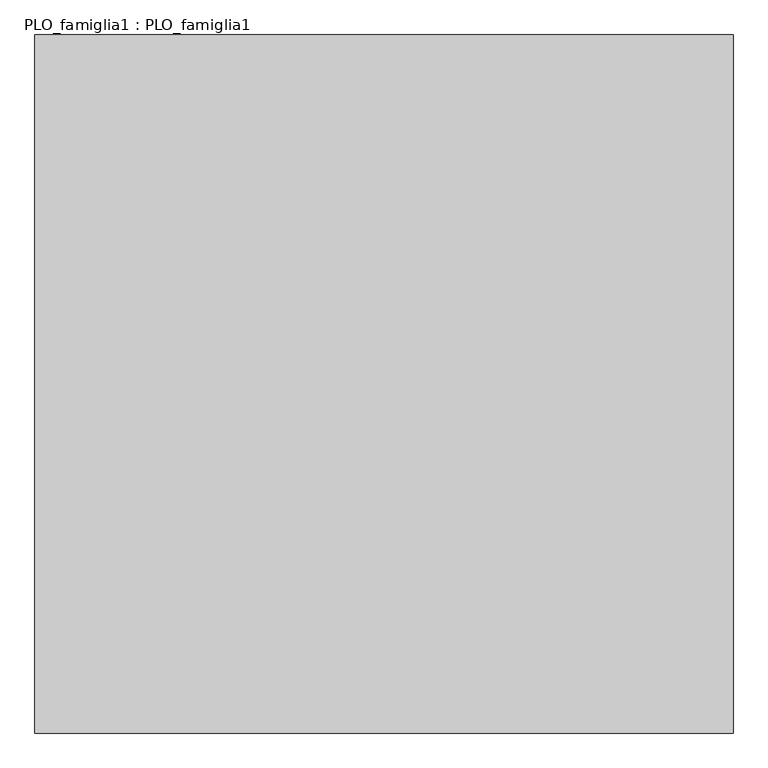
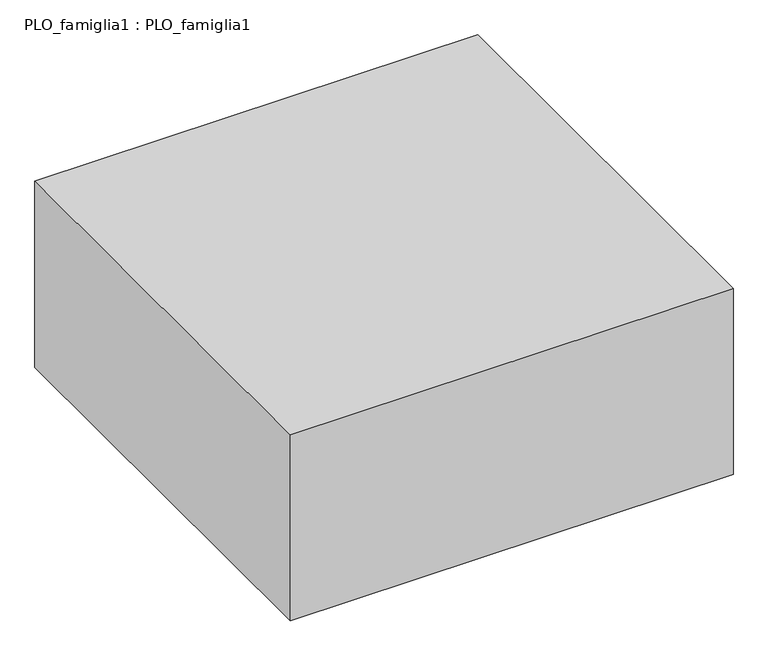
"""IFC4 building model written with IfcOpenShell, lengths in millimetres: proxy geometry, PLO_famiglia1 : PLO_famiglia1."""

import ifcopenshell
import ifcopenshell.guid

model = None  # the IFC model being written
_history = None  # IfcOwnerHistory: only IFC2X3 demands one
_inside = {}  # id of a spatial element -> (the spatial element, [elements in it])
_under = {}  # id of a project, library or spatial element -> (it, [spatial elements below it])
_declared = {}  # id of a project -> (the project, [libraries it declares])
_typed = {}  # id of a type object -> (the type object, [elements of that type])
_made_of = {}  # id of a material, layer set ... -> (it, [elements and type objects made of it])


def new_model(schema):
    """Start an empty IFC model of exactly this schema.

    Asked for "IFC4X3", IfcOpenShell would pick the latest addendum, in which some entities
    have other attributes; the version numbers below select the first issue.
    IFC2X3 requires an IfcOwnerHistory on every rooted entity: one is made here for all.
    """
    global model, _history
    if schema == "IFC4X3":
        model = ifcopenshell.file(schema_version=(4, 3, 0, 0))
    else:
        model = ifcopenshell.file(schema=schema)
    _inside.clear()
    _under.clear()
    _declared.clear()
    _typed.clear()
    _made_of.clear()
    _history = None
    if model.schema == "IFC2X3":
        org = make("IfcOrganization", Name="unknown")
        user = make(
            "IfcPersonAndOrganization",
            ThePerson=make("IfcPerson", FamilyName="unknown"),
            TheOrganization=org,
        )
        app = make(
            "IfcApplication",
            ApplicationDeveloper=org,
            Version="unknown",
            ApplicationFullName="unknown",
            ApplicationIdentifier="unknown",
        )
        _history = make(
            "IfcOwnerHistory",
            OwningUser=user,
            OwningApplication=app,
            ChangeAction="ADDED",
            CreationDate=0,
        )
    return model


def make(cls, **values):
    """One entity of the class cls with the attributes given. An attribute that is None is left unset."""
    return model.create_entity(
        cls, **{name: value for name, value in values.items() if value is not None}
    )


def rooted(cls, **values):
    """An entity with a GlobalId (a new one), such as an element, a storey or a relation."""
    return make(cls, GlobalId=ifcopenshell.guid.new(), OwnerHistory=_history, **values)


def si_unit(unit_type, name, prefix=None):
    """IfcSIUnit, for example si_unit("LENGTHUNIT", "METRE", prefix="MILLI")."""
    return make("IfcSIUnit", UnitType=unit_type, Prefix=prefix, Name=name)


def assignment(units):
    """IfcUnitAssignment: the units of a project."""
    return None if units is None else make("IfcUnitAssignment", Units=units)


def point(xyz):
    """IfcCartesianPoint."""
    return None if xyz is None else make("IfcCartesianPoint", Coordinates=xyz)


def direction(xyz):
    """IfcDirection."""
    return None if xyz is None else make("IfcDirection", DirectionRatios=xyz)


def frame(location, z_axis=None, x_axis=None):
    """IfcAxis2Placement3D, a coordinate frame: its origin and axes. An axis left out is left unset."""
    return make(
        "IfcAxis2Placement3D",
        Location=point(location),
        Axis=direction(z_axis),
        RefDirection=direction(x_axis),
    )


def origin():
    """The frame at (0, 0, 0) with its axes left unset."""
    return frame((0.0, 0.0, 0.0))


def origin_with_axes():
    """The frame at (0, 0, 0) with the z axis (0, 0, 1) and the x axis (1, 0, 0) written out."""
    return frame((0.0, 0.0, 0.0), z_axis=(0.0, 0.0, 1.0), x_axis=(1.0, 0.0, 0.0))


def place(relative_to, where):
    """IfcLocalPlacement: puts the frame where relative to a parent placement (None: the world)."""
    return make(
        "IfcLocalPlacement", PlacementRelTo=relative_to, RelativePlacement=where
    )


def context(
    kind, dimensions, precision=None, world=None, true_north=None, identifier=None
):
    """IfcGeometricRepresentationContext, for example the 3D "Model" context."""
    return make(
        "IfcGeometricRepresentationContext",
        ContextIdentifier=identifier,
        ContextType=kind,
        CoordinateSpaceDimension=dimensions,
        Precision=precision,
        WorldCoordinateSystem=world,
        TrueNorth=true_north,
    )


def project(units=None, contexts=None):
    """IfcProject with its units and contexts."""
    return rooted(
        "IfcProject",
        Name="project",
        RepresentationContexts=contexts,
        UnitsInContext=assignment(units),
    )


def spatial(cls, under=None, at=None, **own):
    """A site, building, storey or space (cls), placed at a placement, below another one or the project."""
    s = rooted(cls, ObjectPlacement=at, **own)
    if under is not None:
        _under.setdefault(under.id(), (under, []))[1].append(s)
    return s


def polyline(points):
    """IfcPolyline through the points."""
    return make("IfcPolyline", Points=[point(p) for p in points])


def outline(outer, holes=None, kind="AREA"):
    """IfcArbitraryClosedProfileDef: a profile drawn as a closed curve; with holes, ...WithVoids."""
    if holes is None:
        return make("IfcArbitraryClosedProfileDef", ProfileType=kind, OuterCurve=outer)
    return make(
        "IfcArbitraryProfileDefWithVoids",
        ProfileType=kind,
        OuterCurve=outer,
        InnerCurves=holes,
    )


def extrude(swept, where, along, depth):
    """IfcExtrudedAreaSolid: the profile swept, set in the frame where, extruded along a direction by depth."""
    return make(
        "IfcExtrudedAreaSolid",
        SweptArea=swept,
        Position=where,
        ExtrudedDirection=direction(along),
        Depth=depth,
    )


def shape(context_of_items, identifier, shape_type, items):
    """IfcShapeRepresentation: the items that make up one representation, for example the "Body"."""
    return make(
        "IfcShapeRepresentation",
        ContextOfItems=context_of_items,
        RepresentationIdentifier=identifier,
        RepresentationType=shape_type,
        Items=items,
    )


def source(mapping_origin, context_of_items, identifier, shape_type, items):
    """IfcRepresentationMap: a shape defined once, which mapped items show again and again."""
    return make(
        "IfcRepresentationMap",
        MappingOrigin=mapping_origin,
        MappedRepresentation=shape(context_of_items, identifier, shape_type, items),
    )


def transform(
    local_origin,
    x_axis=None,
    y_axis=None,
    z_axis=None,
    scale=None,
    scale2=None,
    scale3=None,
    uniform=True,
):
    """IfcCartesianTransformationOperator3D, or its non-uniform kind. x_axis, y_axis, z_axis: its Axis1, 2, 3."""
    if uniform:
        return make(
            "IfcCartesianTransformationOperator3D",
            Axis1=direction(x_axis),
            Axis2=direction(y_axis),
            LocalOrigin=point(local_origin),
            Scale=scale,
            Axis3=direction(z_axis),
        )
    return make(
        "IfcCartesianTransformationOperator3DnonUniform",
        Axis1=direction(x_axis),
        Axis2=direction(y_axis),
        LocalOrigin=point(local_origin),
        Scale=scale,
        Axis3=direction(z_axis),
        Scale2=scale2,
        Scale3=scale3,
    )


def mapped(mapping_source, mapping_target):
    """IfcMappedItem: shows the shape of a source again, moved by a transform."""
    return make(
        "IfcMappedItem", MappingSource=mapping_source, MappingTarget=mapping_target
    )


def made_of(thing, what):
    """Note that an element or type object is made of a material, layer set ...; save() writes the relation."""
    if what is not None:
        _made_of.setdefault(what.id(), (what, []))[1].append(thing)
    return thing


def element(
    cls,
    number,
    at=None,
    inside=None,
    cuts=None,
    type_object=None,
    material=None,
    context=None,
    identifier="Body",
    shape_type=None,
    held_by="IfcProductDefinitionShape",
    body=None,
    shapes=None,
    **own,
):
    """One element of the class cls, such as IfcWall. Its Tag is "e" and its number.

    at: its placement. inside: the storey or other place that contains it. cuts: it is an
    opening in that element (IfcRelVoidsElement). A single representation is given by context,
    identifier, shape_type and body (its items); several are given by shapes. held_by: the class
    of the entity that holds the representations. save() writes the other relations.
    """
    e = rooted(cls, Tag="e%d" % number, ObjectPlacement=at, **own)
    if body is not None:
        shapes = [shape(context, identifier, shape_type, body)]
    if shapes is not None:
        e.Representation = make(held_by, Representations=shapes)
    if inside is not None:
        _inside.setdefault(inside.id(), (inside, []))[1].append(e)
    if cuts is not None:
        rooted(
            "IfcRelVoidsElement", RelatingBuildingElement=cuts, RelatedOpeningElement=e
        )
    if type_object is not None:
        _typed.setdefault(type_object.id(), (type_object, []))[1].append(e)
    return made_of(e, material)


def aggregate(whole, parts):
    """IfcRelAggregates: a whole, such as a stair, and the parts it consists of."""
    return rooted("IfcRelAggregates", RelatingObject=whole, RelatedObjects=parts)


def save(model, path):
    """Write the relations noted so far, then the file.

    IfcRelAggregates (storeys below a building ...), IfcRelContainedInSpatialStructure (elements
    in a storey), IfcRelDefinesByType, IfcRelAssociatesMaterial and IfcRelDeclares: one each for
    every whole, place, type object, material and project.
    """
    for whole, parts in _under.values():
        aggregate(whole, parts)
    for where, things in _inside.values():
        rooted(
            "IfcRelContainedInSpatialStructure",
            RelatedElements=things,
            RelatingStructure=where,
        )
    for kind, things in _typed.values():
        rooted("IfcRelDefinesByType", RelatedObjects=things, RelatingType=kind)
    for what, things in _made_of.values():
        rooted("IfcRelAssociatesMaterial", RelatedObjects=things, RelatingMaterial=what)
    for by, libraries in _declared.values():
        rooted("IfcRelDeclares", RelatingContext=by, RelatedDefinitions=libraries)
    model.write(path)


def plo_famiglia1_plo_famiglia1_d2068015(model_context):
    return source(origin(), model_context, "Body", "SweptSolid", [
        extrude(outline(polyline([(9000.0, 0.0), (9000.0, -9000.0), (0.0, -9000.0), (0.0, 0.0), (9000.0, 0.0)])), origin_with_axes(), (0.0, 0.0, 1.0), 4000.0),
    ])


if __name__ == "__main__":
    model = new_model("IFC4")
    model_context = context("Model", 3, world=origin())
    ifc_project = project(units=[si_unit("LENGTHUNIT", "METRE", prefix="MILLI")], contexts=[model_context])
    site = spatial("IfcSite", under=ifc_project)
    building = spatial("IfcBuilding", under=site)
    placement = place(None, origin())
    plo_famiglia1_plo_famiglia1_shape = plo_famiglia1_plo_famiglia1_d2068015(model_context)
    element("IfcBuildingElementProxy", 1, Name="PLO_famiglia1 : PLO_famiglia1", ObjectType="PLO_famiglia1 : PLO_famiglia1", at=placement, inside=building, context=model_context, shape_type="MappedRepresentation", body=[
        mapped(plo_famiglia1_plo_famiglia1_shape, transform((0.0, 0.0, 0.0), x_axis=(1.0, 0.0, 0.0), y_axis=(0.0, 1.0, 0.0), z_axis=(0.0, 0.0, 1.0))),
    ])
    save(model, "model.ifc")
